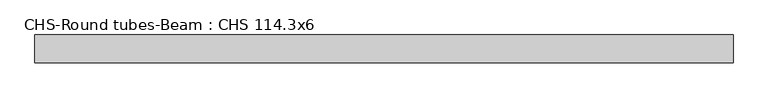
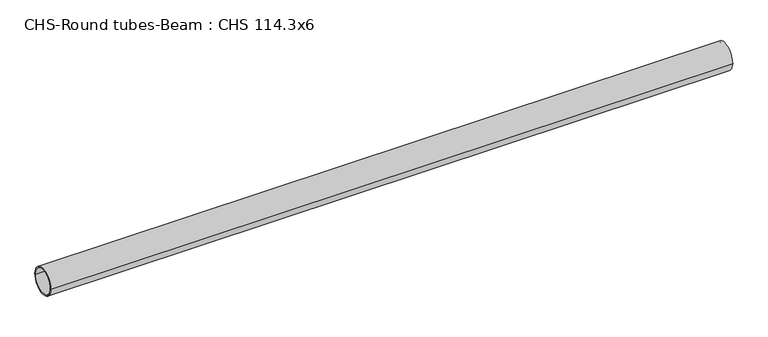
"""IFC4 building model written with IfcOpenShell, lengths in millimetres: beam geometry, CHS-Round tubes-Beam : CHS 114.3x6."""

from ifc_helpers import new_model, si_unit, point, frame, origin, origin_2d, place, context, project, spatial, circle_curve, trimmed, segment, composite_curve, outline, extrude, source, transform, mapped, element, save


def chs_round_tubes_beam_chs_114_3x6_d0289b59(model_context):
    return source(origin(), model_context, "Body", "SweptSolid", [
        extrude(outline(composite_curve([segment(trimmed(circle_curve(origin_2d(), 57.15), [point((57.15, 0.0))], [point((-57.15, 0.0))], False, "CARTESIAN"), True, "CONTINUOUS"), segment(trimmed(circle_curve(origin_2d(), 57.15), [point((-57.15, 0.0))], [point((57.15, 0.0))], False, "CARTESIAN"), True, "CONTINUOUS")], self_intersect=False), holes=[composite_curve([segment(trimmed(circle_curve(origin_2d(), 51.15), [point((51.15, 0.0))], [point((-51.15, 0.0))], True, "CARTESIAN"), True, "CONTINUOUS"), segment(trimmed(circle_curve(origin_2d(), 51.15), [point((-51.15, 0.0))], [point((51.15, 0.0))], True, "CARTESIAN"), True, "CONTINUOUS")], self_intersect=False)]), frame((-1420.6115731, 0.0, 0.0), z_axis=(1.0, 0.0, 0.0), x_axis=(0.0, 1.0, 0.0)), (0.0, 0.0, 1.0), 2848.0730242),
    ])


if __name__ == "__main__":
    model = new_model("IFC4")
    model_context = context("Model", 3, world=origin())
    ifc_project = project(units=[si_unit("LENGTHUNIT", "METRE", prefix="MILLI")], contexts=[model_context])
    site = spatial("IfcSite", under=ifc_project)
    building = spatial("IfcBuilding", under=site)
    placement = place(None, origin())
    chs_round_tubes_beam_chs_114_3x6_shape = chs_round_tubes_beam_chs_114_3x6_d0289b59(model_context)
    element("IfcBeam", 1, ObjectType="CHS-Round tubes-Beam : CHS 114.3x6", at=placement, inside=building, context=model_context, shape_type="MappedRepresentation", body=[
        mapped(chs_round_tubes_beam_chs_114_3x6_shape, transform((0.0, 0.0, 0.0), x_axis=(1.0, 0.0, 0.0), y_axis=(0.0, 1.0, 0.0), z_axis=(0.0, 0.0, 1.0))),
    ])
    save(model, "model.ifc")
